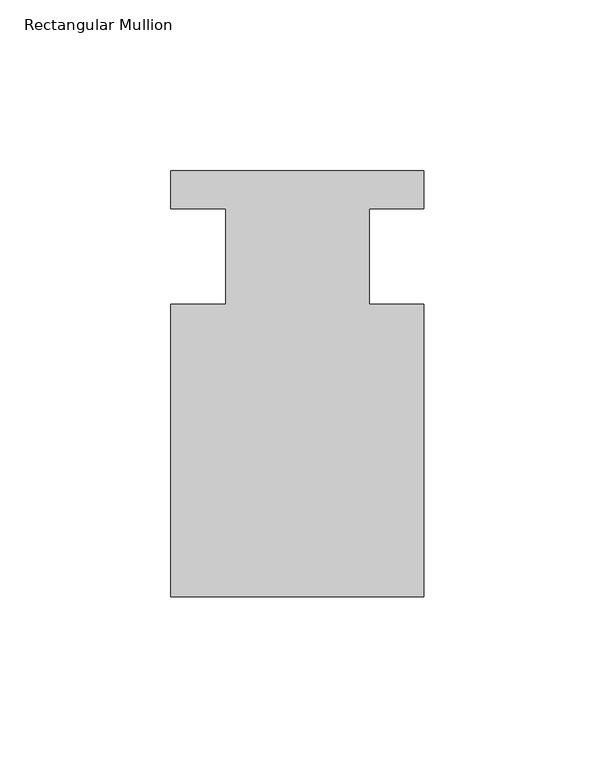
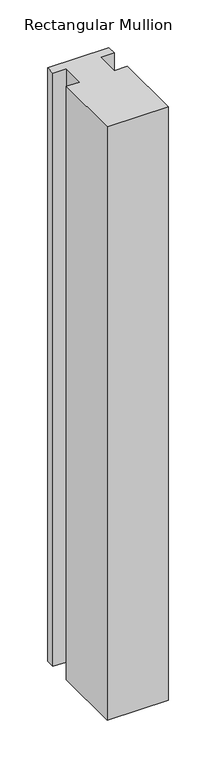
"""IFC4 building model written with IfcOpenShell, lengths in millimetres: member geometry, Rectangular Mullion."""

from ifc_helpers import new_model, si_unit, frame, origin, place, context, project, spatial, polyline, outline, extrude, source, transform, mapped, element, save


def rectangular_mullion_c04b3725(model_context):
    return source(origin(), model_context, "Body", "SweptSolid", [
        extrude(outline(polyline([(-20.9800745, -13.9998907), (-20.9800745, 14.0), (-37.0, 14.0), (-37.0, 25.0), (36.9800745, 25.0), (36.9800745, 14.0), (20.9800745, 14.0), (20.9800745, -13.9998907), (37.0, -13.9998907), (37.0, -99.5), (-37.0, -99.5), (-37.0, -13.9998907), (-20.9800745, -13.9998907)])), frame((0.0, 0.0, -759.0051569), z_axis=(0.0, 0.0, 1.0), x_axis=(1.0, 0.0, 0.0)), (0.0, 0.0, 1.0), 759.0051569),
    ])


if __name__ == "__main__":
    model = new_model("IFC4")
    model_context = context("Model", 3, world=origin())
    ifc_project = project(units=[si_unit("LENGTHUNIT", "METRE", prefix="MILLI")], contexts=[model_context])
    site = spatial("IfcSite", under=ifc_project)
    building = spatial("IfcBuilding", under=site)
    placement = place(None, origin())
    rectangular_mullion_shape = rectangular_mullion_c04b3725(model_context)
    element("IfcMember", 1, ObjectType="Rectangular Mullion", at=placement, inside=building, context=model_context, shape_type="MappedRepresentation", body=[
        mapped(rectangular_mullion_shape, transform((0.0, 0.0, 0.0), x_axis=(1.0, 0.0, 0.0), y_axis=(0.0, 1.0, 0.0), z_axis=(0.0, 0.0, 1.0))),
    ])
    save(model, "model.ifc")
